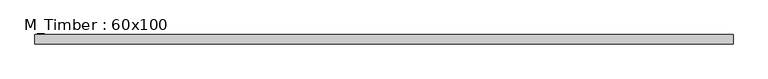
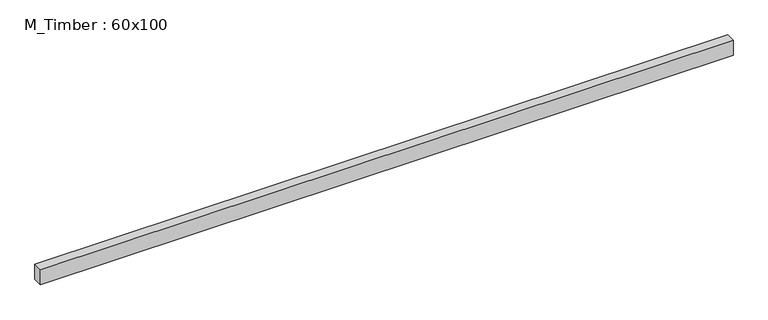
"""IFC4 building model written with IfcOpenShell, lengths in millimetres: beam geometry, M_Timber : 60x100."""

from ifc_helpers import new_model, si_unit, frame, origin, place, context, project, spatial, polyline, outline, extrude, source, transform, mapped, element, save


def m_timber_60x100_8fb66f3b(model_context):
    return source(origin(), model_context, "Body", "SweptSolid", [
        extrude(outline(polyline([(2296.4999069, 30.0), (2296.4999069, -30.0), (-2110.1074249, -30.0), (-2110.1074249, 30.0), (2296.4999069, 30.0)])), frame((0.0, 0.0, -50.0), z_axis=(0.0, 0.0, 1.0), x_axis=(1.0, 0.0, 0.0)), (0.0, 0.0, 1.0), 100.0),
    ])


if __name__ == "__main__":
    model = new_model("IFC4")
    model_context = context("Model", 3, world=origin())
    ifc_project = project(units=[si_unit("LENGTHUNIT", "METRE", prefix="MILLI")], contexts=[model_context])
    site = spatial("IfcSite", under=ifc_project)
    building = spatial("IfcBuilding", under=site)
    placement = place(None, origin())
    m_timber_60x100_shape = m_timber_60x100_8fb66f3b(model_context)
    element("IfcBeam", 1, ObjectType="M_Timber : 60x100", at=placement, inside=building, context=model_context, shape_type="MappedRepresentation", body=[
        mapped(m_timber_60x100_shape, transform((0.0, 0.0, 0.0), x_axis=(1.0, 0.0, 0.0), y_axis=(0.0, 1.0, 0.0), z_axis=(0.0, 0.0, 1.0))),
    ])
    save(model, "model.ifc")
